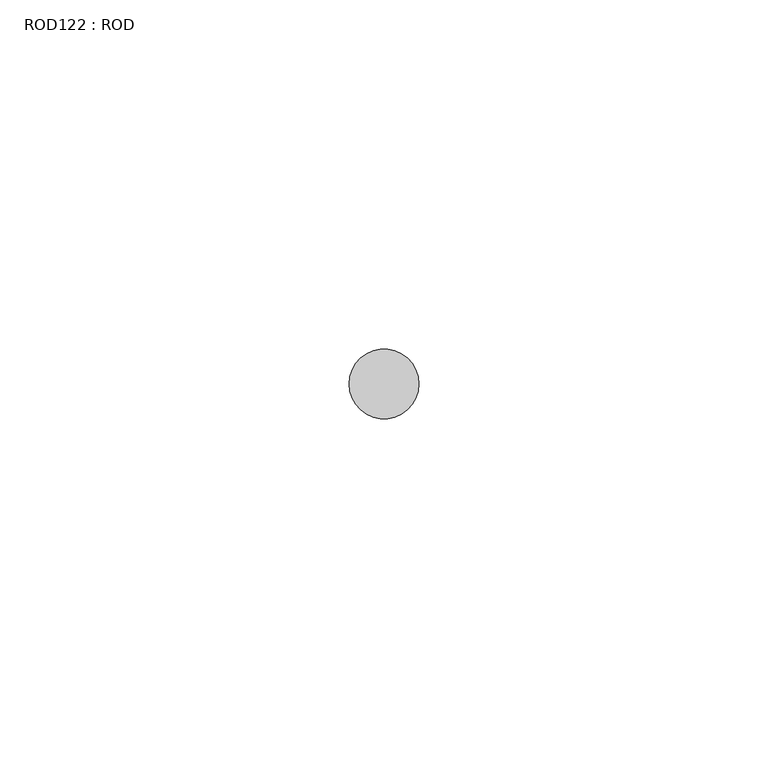
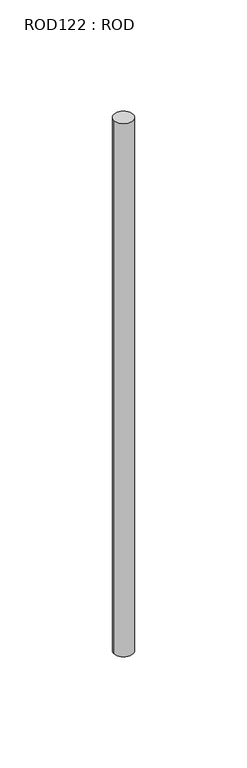
"""IFC4 building model written with IfcOpenShell, lengths in millimetres: proxy geometry, ROD122 : ROD."""

import ifcopenshell
import ifcopenshell.guid

model = None  # the IFC model being written
_history = None  # IfcOwnerHistory: only IFC2X3 demands one
_inside = {}  # id of a spatial element -> (the spatial element, [elements in it])
_under = {}  # id of a project, library or spatial element -> (it, [spatial elements below it])
_declared = {}  # id of a project -> (the project, [libraries it declares])
_typed = {}  # id of a type object -> (the type object, [elements of that type])
_made_of = {}  # id of a material, layer set ... -> (it, [elements and type objects made of it])


def new_model(schema):
    """Start an empty IFC model of exactly this schema.

    Asked for "IFC4X3", IfcOpenShell would pick the latest addendum, in which some entities
    have other attributes; the version numbers below select the first issue.
    IFC2X3 requires an IfcOwnerHistory on every rooted entity: one is made here for all.
    """
    global model, _history
    if schema == "IFC4X3":
        model = ifcopenshell.file(schema_version=(4, 3, 0, 0))
    else:
        model = ifcopenshell.file(schema=schema)
    _inside.clear()
    _under.clear()
    _declared.clear()
    _typed.clear()
    _made_of.clear()
    _history = None
    if model.schema == "IFC2X3":
        org = make("IfcOrganization", Name="unknown")
        user = make(
            "IfcPersonAndOrganization",
            ThePerson=make("IfcPerson", FamilyName="unknown"),
            TheOrganization=org,
        )
        app = make(
            "IfcApplication",
            ApplicationDeveloper=org,
            Version="unknown",
            ApplicationFullName="unknown",
            ApplicationIdentifier="unknown",
        )
        _history = make(
            "IfcOwnerHistory",
            OwningUser=user,
            OwningApplication=app,
            ChangeAction="ADDED",
            CreationDate=0,
        )
    return model


def make(cls, **values):
    """One entity of the class cls with the attributes given. An attribute that is None is left unset."""
    return model.create_entity(
        cls, **{name: value for name, value in values.items() if value is not None}
    )


def rooted(cls, **values):
    """An entity with a GlobalId (a new one), such as an element, a storey or a relation."""
    return make(cls, GlobalId=ifcopenshell.guid.new(), OwnerHistory=_history, **values)


def si_unit(unit_type, name, prefix=None):
    """IfcSIUnit, for example si_unit("LENGTHUNIT", "METRE", prefix="MILLI")."""
    return make("IfcSIUnit", UnitType=unit_type, Prefix=prefix, Name=name)


def assignment(units):
    """IfcUnitAssignment: the units of a project."""
    return None if units is None else make("IfcUnitAssignment", Units=units)


def point(xyz):
    """IfcCartesianPoint."""
    return None if xyz is None else make("IfcCartesianPoint", Coordinates=xyz)


def direction(xyz):
    """IfcDirection."""
    return None if xyz is None else make("IfcDirection", DirectionRatios=xyz)


def frame(location, z_axis=None, x_axis=None):
    """IfcAxis2Placement3D, a coordinate frame: its origin and axes. An axis left out is left unset."""
    return make(
        "IfcAxis2Placement3D",
        Location=point(location),
        Axis=direction(z_axis),
        RefDirection=direction(x_axis),
    )


def frame_2d(location, x_axis=None):
    """IfcAxis2Placement2D, a coordinate frame in the plane: its origin and x axis."""
    return make(
        "IfcAxis2Placement2D", Location=point(location), RefDirection=direction(x_axis)
    )


def origin():
    """The frame at (0, 0, 0) with its axes left unset."""
    return frame((0.0, 0.0, 0.0))


def place(relative_to, where):
    """IfcLocalPlacement: puts the frame where relative to a parent placement (None: the world)."""
    return make(
        "IfcLocalPlacement", PlacementRelTo=relative_to, RelativePlacement=where
    )


def context(
    kind, dimensions, precision=None, world=None, true_north=None, identifier=None
):
    """IfcGeometricRepresentationContext, for example the 3D "Model" context."""
    return make(
        "IfcGeometricRepresentationContext",
        ContextIdentifier=identifier,
        ContextType=kind,
        CoordinateSpaceDimension=dimensions,
        Precision=precision,
        WorldCoordinateSystem=world,
        TrueNorth=true_north,
    )


def project(units=None, contexts=None):
    """IfcProject with its units and contexts."""
    return rooted(
        "IfcProject",
        Name="project",
        RepresentationContexts=contexts,
        UnitsInContext=assignment(units),
    )


def spatial(cls, under=None, at=None, **own):
    """A site, building, storey or space (cls), placed at a placement, below another one or the project."""
    s = rooted(cls, ObjectPlacement=at, **own)
    if under is not None:
        _under.setdefault(under.id(), (under, []))[1].append(s)
    return s


def circle_curve(where, radius):
    """IfcCircle in the frame where."""
    return make("IfcCircle", Position=where, Radius=radius)


def trimmed(basis, trim1, trim2, sense, master):
    """IfcTrimmedCurve: the piece of a basis curve between two trims."""
    return make(
        "IfcTrimmedCurve",
        BasisCurve=basis,
        Trim1=trim1,
        Trim2=trim2,
        SenseAgreement=sense,
        MasterRepresentation=master,
    )


def segment(curve, same_sense, transition):
    """IfcCompositeCurveSegment."""
    return make(
        "IfcCompositeCurveSegment",
        Transition=transition,
        SameSense=same_sense,
        ParentCurve=curve,
    )


def composite_curve(segments, self_intersect=None):
    """IfcCompositeCurve: segments joined end to end."""
    return make("IfcCompositeCurve", Segments=segments, SelfIntersect=self_intersect)


def outline(outer, holes=None, kind="AREA"):
    """IfcArbitraryClosedProfileDef: a profile drawn as a closed curve; with holes, ...WithVoids."""
    if holes is None:
        return make("IfcArbitraryClosedProfileDef", ProfileType=kind, OuterCurve=outer)
    return make(
        "IfcArbitraryProfileDefWithVoids",
        ProfileType=kind,
        OuterCurve=outer,
        InnerCurves=holes,
    )


def extrude(swept, where, along, depth):
    """IfcExtrudedAreaSolid: the profile swept, set in the frame where, extruded along a direction by depth."""
    return make(
        "IfcExtrudedAreaSolid",
        SweptArea=swept,
        Position=where,
        ExtrudedDirection=direction(along),
        Depth=depth,
    )


def shape(context_of_items, identifier, shape_type, items):
    """IfcShapeRepresentation: the items that make up one representation, for example the "Body"."""
    return make(
        "IfcShapeRepresentation",
        ContextOfItems=context_of_items,
        RepresentationIdentifier=identifier,
        RepresentationType=shape_type,
        Items=items,
    )


def source(mapping_origin, context_of_items, identifier, shape_type, items):
    """IfcRepresentationMap: a shape defined once, which mapped items show again and again."""
    return make(
        "IfcRepresentationMap",
        MappingOrigin=mapping_origin,
        MappedRepresentation=shape(context_of_items, identifier, shape_type, items),
    )


def transform(
    local_origin,
    x_axis=None,
    y_axis=None,
    z_axis=None,
    scale=None,
    scale2=None,
    scale3=None,
    uniform=True,
):
    """IfcCartesianTransformationOperator3D, or its non-uniform kind. x_axis, y_axis, z_axis: its Axis1, 2, 3."""
    if uniform:
        return make(
            "IfcCartesianTransformationOperator3D",
            Axis1=direction(x_axis),
            Axis2=direction(y_axis),
            LocalOrigin=point(local_origin),
            Scale=scale,
            Axis3=direction(z_axis),
        )
    return make(
        "IfcCartesianTransformationOperator3DnonUniform",
        Axis1=direction(x_axis),
        Axis2=direction(y_axis),
        LocalOrigin=point(local_origin),
        Scale=scale,
        Axis3=direction(z_axis),
        Scale2=scale2,
        Scale3=scale3,
    )


def mapped(mapping_source, mapping_target):
    """IfcMappedItem: shows the shape of a source again, moved by a transform."""
    return make(
        "IfcMappedItem", MappingSource=mapping_source, MappingTarget=mapping_target
    )


def made_of(thing, what):
    """Note that an element or type object is made of a material, layer set ...; save() writes the relation."""
    if what is not None:
        _made_of.setdefault(what.id(), (what, []))[1].append(thing)
    return thing


def element(
    cls,
    number,
    at=None,
    inside=None,
    cuts=None,
    type_object=None,
    material=None,
    context=None,
    identifier="Body",
    shape_type=None,
    held_by="IfcProductDefinitionShape",
    body=None,
    shapes=None,
    **own,
):
    """One element of the class cls, such as IfcWall. Its Tag is "e" and its number.

    at: its placement. inside: the storey or other place that contains it. cuts: it is an
    opening in that element (IfcRelVoidsElement). A single representation is given by context,
    identifier, shape_type and body (its items); several are given by shapes. held_by: the class
    of the entity that holds the representations. save() writes the other relations.
    """
    e = rooted(cls, Tag="e%d" % number, ObjectPlacement=at, **own)
    if body is not None:
        shapes = [shape(context, identifier, shape_type, body)]
    if shapes is not None:
        e.Representation = make(held_by, Representations=shapes)
    if inside is not None:
        _inside.setdefault(inside.id(), (inside, []))[1].append(e)
    if cuts is not None:
        rooted(
            "IfcRelVoidsElement", RelatingBuildingElement=cuts, RelatedOpeningElement=e
        )
    if type_object is not None:
        _typed.setdefault(type_object.id(), (type_object, []))[1].append(e)
    return made_of(e, material)


def aggregate(whole, parts):
    """IfcRelAggregates: a whole, such as a stair, and the parts it consists of."""
    return rooted("IfcRelAggregates", RelatingObject=whole, RelatedObjects=parts)


def save(model, path):
    """Write the relations noted so far, then the file.

    IfcRelAggregates (storeys below a building ...), IfcRelContainedInSpatialStructure (elements
    in a storey), IfcRelDefinesByType, IfcRelAssociatesMaterial and IfcRelDeclares: one each for
    every whole, place, type object, material and project.
    """
    for whole, parts in _under.values():
        aggregate(whole, parts)
    for where, things in _inside.values():
        rooted(
            "IfcRelContainedInSpatialStructure",
            RelatedElements=things,
            RelatingStructure=where,
        )
    for kind, things in _typed.values():
        rooted("IfcRelDefinesByType", RelatedObjects=things, RelatingType=kind)
    for what, things in _made_of.values():
        rooted("IfcRelAssociatesMaterial", RelatedObjects=things, RelatingMaterial=what)
    for by, libraries in _declared.values():
        rooted("IfcRelDeclares", RelatingContext=by, RelatedDefinitions=libraries)
    model.write(path)


def rod122_rod_06d252a5(model_context):
    return source(origin(), model_context, "Body", "SweptSolid", [
        extrude(outline(composite_curve([segment(trimmed(circle_curve(frame_2d((10752.7784384, -12414.6300853)), 5.0), [point((10747.7784384, -12414.6300853))], [point((10757.7784384, -12414.6300853))], False, "CARTESIAN"), True, "CONTINUOUS"), segment(trimmed(circle_curve(frame_2d((10752.7784384, -12414.6300853)), 5.0), [point((10757.7784384, -12414.6300853))], [point((10747.7784384, -12414.6300853))], False, "CARTESIAN"), True, "CONTINUOUS")], self_intersect=False)), frame((0.0, 0.0, -208.6608845), z_axis=(0.0, 0.0, 1.0), x_axis=(1.0, 0.0, 0.0)), (0.0, 0.0, 1.0), 298.9028972),
    ])


if __name__ == "__main__":
    model = new_model("IFC4")
    model_context = context("Model", 3, world=origin())
    ifc_project = project(units=[si_unit("LENGTHUNIT", "METRE", prefix="MILLI")], contexts=[model_context])
    site = spatial("IfcSite", under=ifc_project)
    building = spatial("IfcBuilding", under=site)
    placement = place(None, origin())
    rod122_rod_shape = rod122_rod_06d252a5(model_context)
    element("IfcBuildingElementProxy", 1, Name="ROD122 : ROD", ObjectType="ROD122 : ROD", at=placement, inside=building, context=model_context, shape_type="MappedRepresentation", body=[
        mapped(rod122_rod_shape, transform((0.0, 0.0, 0.0), x_axis=(1.0, 0.0, 0.0), y_axis=(0.0, 1.0, 0.0), z_axis=(0.0, 0.0, 1.0))),
    ])
    save(model, "model.ifc")
